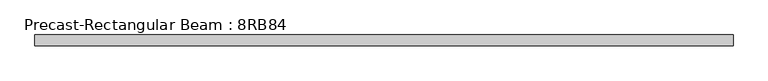
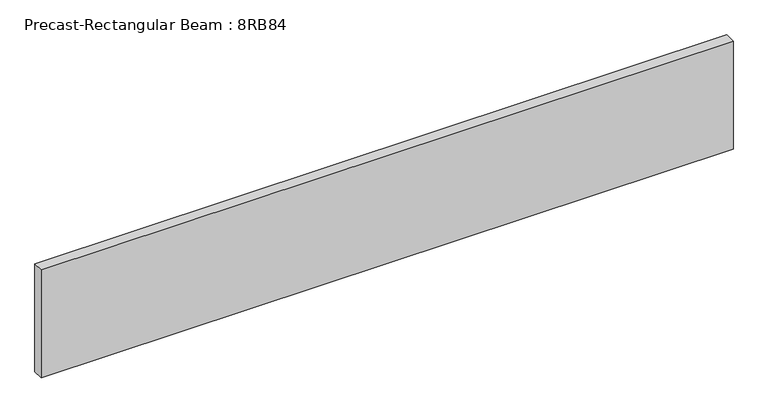
"""IFC4 building model written with IfcOpenShell, lengths in millimetres: beam geometry, Precast-Rectangular Beam : 8RB84."""

from ifc_helpers import new_model, si_unit, frame, origin, place, context, project, spatial, polyline, outline, extrude, source, transform, mapped, element, save


def precast_rectangular_beam_8rb84_98d851d7(model_context):
    return source(origin(), model_context, "Body", "SweptSolid", [
        extrude(outline(polyline([(6705.6, 101.6), (6705.6, -101.6), (-6197.6, -101.6), (-6197.6, 101.6), (6705.6, 101.6)])), frame((0.0, 0.0, -1066.8), z_axis=(0.0, 0.0, 1.0), x_axis=(1.0, 0.0, 0.0)), (0.0, 0.0, 1.0), 2133.6),
    ])


if __name__ == "__main__":
    model = new_model("IFC4")
    model_context = context("Model", 3, world=origin())
    ifc_project = project(units=[si_unit("LENGTHUNIT", "METRE", prefix="MILLI")], contexts=[model_context])
    site = spatial("IfcSite", under=ifc_project)
    building = spatial("IfcBuilding", under=site)
    placement = place(None, origin())
    precast_rectangular_beam_8rb84_shape = precast_rectangular_beam_8rb84_98d851d7(model_context)
    element("IfcBeam", 1, ObjectType="Precast-Rectangular Beam : 8RB84", at=placement, inside=building, context=model_context, shape_type="MappedRepresentation", body=[
        mapped(precast_rectangular_beam_8rb84_shape, transform((0.0, 0.0, 0.0), x_axis=(1.0, 0.0, 0.0), y_axis=(0.0, 1.0, 0.0), z_axis=(0.0, 0.0, 1.0))),
    ])
    save(model, "model.ifc")
